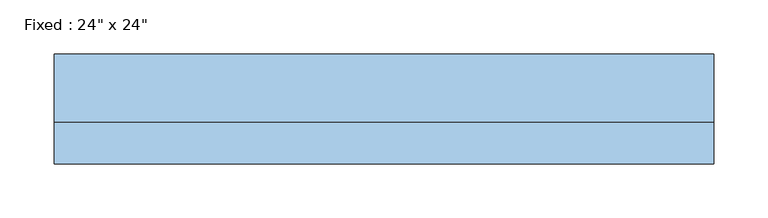
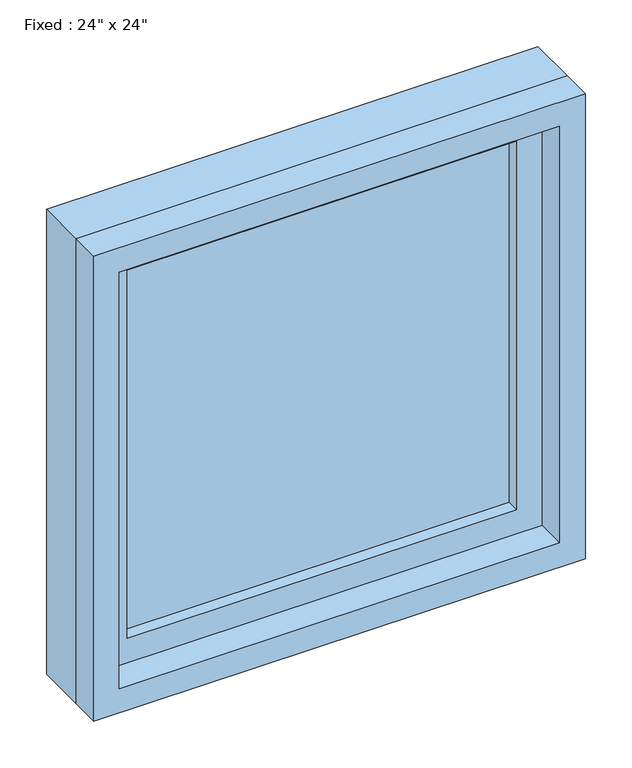
"""IFC4 building model written with IfcOpenShell, lengths in millimetres: window geometry."""

from ifc_helpers import new_model, si_unit, frame, origin, place, context, project, spatial, polyline, outline, extrude, source, transform, mapped, element, save


def window_d77a0263(model_context):
    return source(origin(), model_context, "Body", "SweptSolid", [
        extrude(outline(polyline([(203.2, 3.175), (-279.4, 3.175), (-279.4, 15.875), (203.2, 15.875), (203.2, 3.175)])), frame((0.0, 0.0, 977.9), z_axis=(0.0, 0.0, 1.0), x_axis=(1.0, 0.0, 0.0)), (0.0, 0.0, 1.0), 482.6),
        extrude(outline(polyline([(1504.95, -323.85), (933.45, -323.85), (933.45, 247.65), (1504.95, 247.65), (1504.95, -323.85)]), holes=[polyline([(1460.5, -279.4), (1460.5, 203.2), (977.9, 203.2), (977.9, -279.4), (1460.5, -279.4)])]), frame((0.0, -12.7, 0.0), z_axis=(0.0, 1.0, 0.0), x_axis=(0.0, 0.0, 1.0)), (0.0, 0.0, 1.0), 44.45),
        extrude(outline(polyline([(1524.0, -342.9), (914.4, -342.9), (914.4, 266.7), (1524.0, 266.7), (1524.0, -342.9)]), holes=[polyline([(1492.25, -311.15), (1492.25, 234.95), (946.15, 234.95), (946.15, -311.15), (1492.25, -311.15)])]), frame((0.0, -50.8, 0.0), z_axis=(0.0, 1.0, 0.0), x_axis=(0.0, 0.0, 1.0)), (0.0, 0.0, 1.0), 38.1),
        extrude(outline(polyline([(1524.0, 266.7), (1524.0, -342.9), (914.4, -342.9), (914.4, 266.7), (1524.0, 266.7)]), holes=[polyline([(1504.95, 247.65), (933.45, 247.65), (933.45, -323.85), (1504.95, -323.85), (1504.95, 247.65)])]), frame((0.0, -12.7, 0.0), z_axis=(0.0, 1.0, 0.0), x_axis=(0.0, 0.0, 1.0)), (0.0, 0.0, 1.0), 63.5),
    ])


if __name__ == "__main__":
    model = new_model("IFC4")
    model_context = context("Model", 3, world=origin())
    ifc_project = project(units=[si_unit("LENGTHUNIT", "METRE", prefix="MILLI")], contexts=[model_context])
    site = spatial("IfcSite", under=ifc_project)
    building = spatial("IfcBuilding", under=site)
    placement = place(None, origin())
    window_shape = window_d77a0263(model_context)
    element("IfcWindow", 1, ObjectType="Fixed : 24\" x 24\"", at=placement, inside=building, context=model_context, shape_type="MappedRepresentation", body=[
        mapped(window_shape, transform((0.0, 0.0, 0.0), x_axis=(1.0, 0.0, 0.0), y_axis=(0.0, 1.0, 0.0), z_axis=(0.0, 0.0, 1.0))),
    ])
    save(model, "model.ifc")
